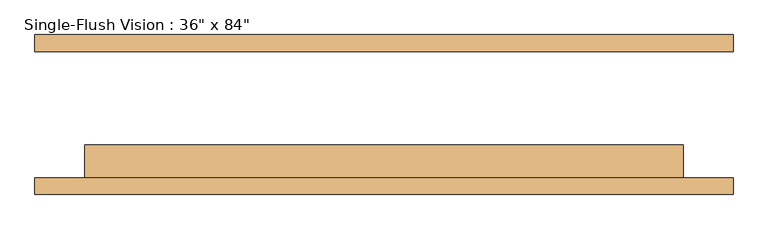
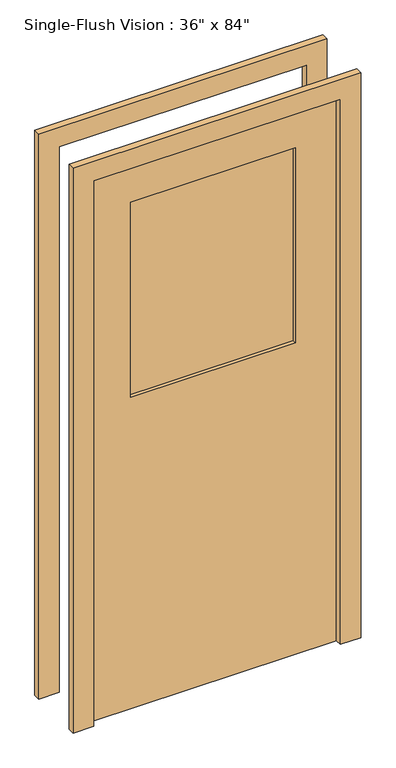
"""IFC4 building model written with IfcOpenShell, lengths in millimetres: door geometry."""

from ifc_helpers import new_model, si_unit, frame, origin, place, context, project, spatial, polyline, outline, extrude, source, transform, mapped, element, save


def door_b874db27(model_context):
    return source(origin(), model_context, "Body", "SweptSolid", [
        extrude(outline(polyline([(2209.8, -533.4), (0.0, -533.4), (0.0, -457.2), (2133.6, -457.2), (2133.6, 457.2), (0.0, 457.2), (0.0, 533.4), (2209.8, 533.4), (2209.8, -533.4)])), frame((0.0, -122.2375, 0.0), z_axis=(0.0, 1.0, 0.0), x_axis=(0.0, 0.0, 1.0)), (0.0, 0.0, 1.0), 25.4),
        extrude(outline(polyline([(2133.6, 457.2), (0.0, 457.2), (0.0, 533.4), (2209.8, 533.4), (2209.8, -533.4), (0.0, -533.4), (0.0, -457.2), (2133.6, -457.2), (2133.6, 457.2)])), frame((0.0, 96.8375, 0.0), z_axis=(0.0, 1.0, 0.0), x_axis=(0.0, 0.0, 1.0)), (0.0, 0.0, 1.0), 25.4),
        extrude(outline(polyline([(304.8, -58.7375), (304.8, -65.0875), (-304.8, -65.0875), (-304.8, -58.7375), (304.8, -58.7375)])), frame((0.0, 0.0, 1219.2), z_axis=(0.0, 0.0, 1.0), x_axis=(1.0, 0.0, 0.0)), (0.0, 0.0, 1.0), 762.0),
        extrude(outline(polyline([(304.8, -77.7875), (304.8, -84.1375), (-304.8, -84.1375), (-304.8, -77.7875), (304.8, -77.7875)])), frame((0.0, 0.0, 1219.2), z_axis=(0.0, 0.0, 1.0), x_axis=(1.0, 0.0, 0.0)), (0.0, 0.0, 1.0), 762.0),
        extrude(outline(polyline([(2133.6, -457.2), (0.0, -457.2), (0.0, 457.2), (2133.6, 457.2), (2133.6, -457.2)]), holes=[polyline([(1981.2, -304.8), (1981.2, 304.8), (1219.2, 304.8), (1219.2, -304.8), (1981.2, -304.8)])]), frame((0.0, -96.8375, 0.0), z_axis=(0.0, 1.0, 0.0), x_axis=(0.0, 0.0, 1.0)), (0.0, 0.0, 1.0), 50.8),
    ])


if __name__ == "__main__":
    model = new_model("IFC4")
    model_context = context("Model", 3, world=origin())
    ifc_project = project(units=[si_unit("LENGTHUNIT", "METRE", prefix="MILLI")], contexts=[model_context])
    site = spatial("IfcSite", under=ifc_project)
    building = spatial("IfcBuilding", under=site)
    placement = place(None, origin())
    door_shape = door_b874db27(model_context)
    element("IfcDoor", 1, ObjectType="Single-Flush Vision : 36\" x 84\"", at=placement, inside=building, context=model_context, shape_type="MappedRepresentation", body=[
        mapped(door_shape, transform((0.0, 0.0, 0.0), x_axis=(1.0, 0.0, 0.0), y_axis=(0.0, 1.0, 0.0), z_axis=(0.0, 0.0, 1.0))),
    ])
    save(model, "model.ifc")
